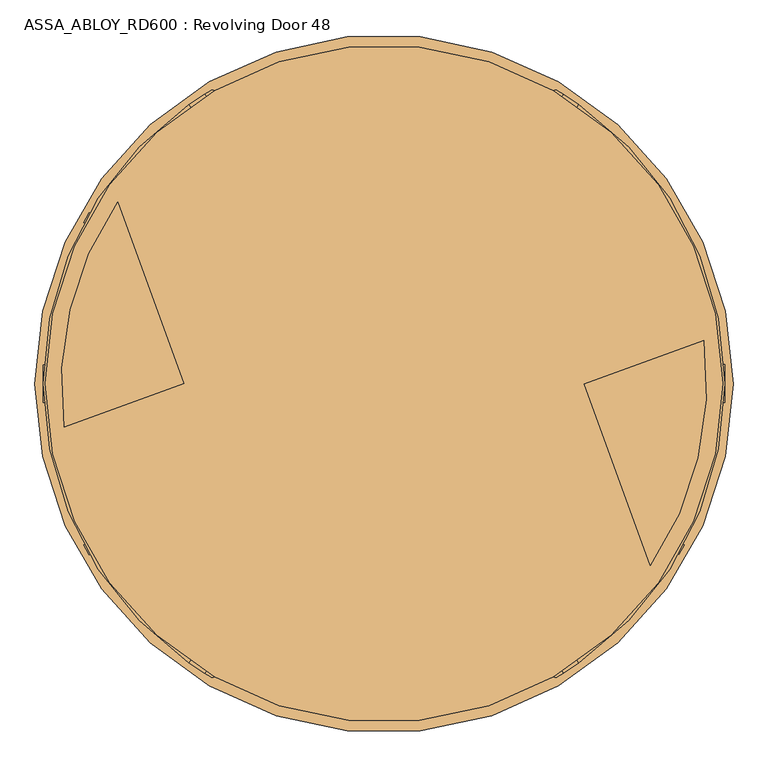
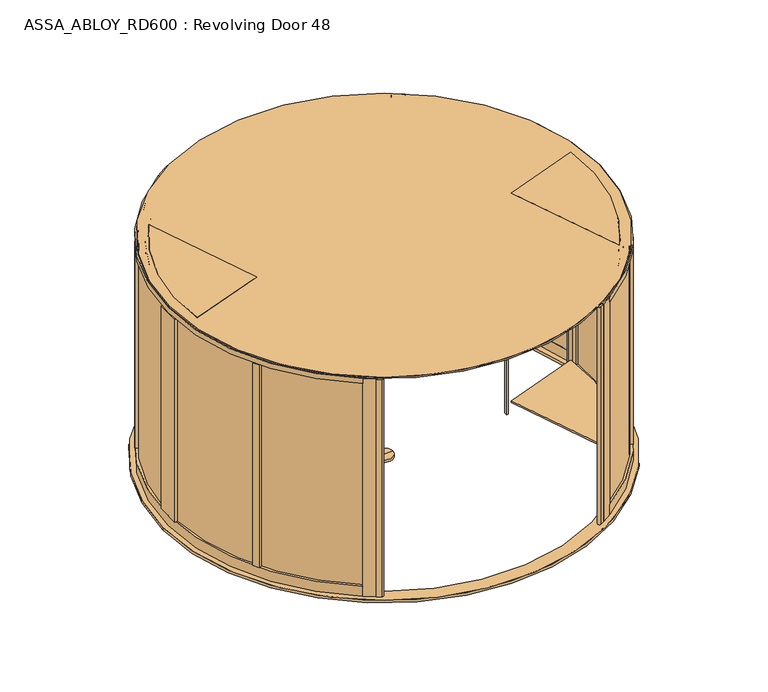
"""IFC4 building model written with IfcOpenShell, lengths in millimetres: door geometry, ASSA_ABLOY_RD600 : Revolving Door 48."""

from ifc_helpers import new_model, si_unit, point, frame, frame_2d, origin, origin_with_axes, origin_2d, place, context, project, spatial, polyline, circle_curve, trimmed, segment, composite_curve, outline, extrude, source, transform, mapped, element, save
from ifc_brep_helpers import plane_surface, cylinder_surface, advanced_brep


def assa_abloy_rd600_revolving_door_48_0ebd6415(model_context):
    return source(origin(), model_context, "Body", "SolidModel", [
        extrude(outline(polyline([(-1458.7343153, 67.1190524), (-1421.1466104, 80.7998581), (-1397.2052004, 15.0213746), (-1434.7929052, 1.3405689), (-1458.7343153, 67.1190524)])), frame((0.0, 0.0, 148.0), z_axis=(0.0, 0.0, 1.0), x_axis=(1.0, 0.0, 0.0)), (0.0, 0.0, 1.0), 2372.0),
        extrude(outline(polyline([(-1851.9918188, 1214.8326647), (-1437.121385, 74.9855157), (-1442.7595407, 72.9333948), (-1857.6299746, 1212.7805438), (-1851.9918188, 1214.8326647)])), frame((0.0, 0.0, 148.0), z_axis=(0.0, 0.0, 1.0), x_axis=(1.0, 0.0, 0.0)), (0.0, 0.0, 1.0), 2372.0),
        extrude(outline(polyline([(-1875.9332289, 1280.6111481), (-1413.1799749, 9.2070322), (-1418.8181307, 7.1549113), (-1881.5713846, 1278.5590273), (-1875.9332289, 1280.6111481)])), frame((0.0, 0.0, -1.0), z_axis=(0.0, 0.0, 1.0), x_axis=(1.0, 0.0, 0.0)), (0.0, 0.0, 1.0), 29.0),
        extrude(outline(polyline([(-21.1919362, -1e-07), (0.0, 0.0), (1.2354289, -3.3526834), (-14.8894584, -17.1035442), (-15.8652681, -14.4554103), (-11.2716326, -10.6269536), (-14.2348715, -2.5853725), (-20.2143359, -2.652993), (-21.1919362, -1e-07)]), holes=[polyline([(-11.7626281, -2.5849675), (-9.3848751, -9.0376682), (-1.6611384, -2.5160753), (-11.7626281, -2.5849675)])]), frame((-1861.3820138, 1167.5369034, 122.8848654), z_axis=(0.9396926207859982, 0.34202014332542185, 0.0), x_axis=(-0.11825756092403869, 0.3249099783188412, 0.9383222555567716)), (0.0, 0.0, 1.0), 2.0),
        extrude(outline(polyline([(-3.5121291, 0.0), (0.0, 0.0), (2.8187321, -2.6852579), (4.250422, -5.1162244), (5.5118808, -7.3434952), (7.3063201, -9.1972245), (9.3614355, -9.1814982), (11.0208469, -7.16163), (10.6514742, -3.4882218), (8.71119, 0.0484616), (6.0403681, 2.648411), (9.0699596, 3.7111349), (11.0920114, 1.0208016), (12.7977466, -2.5981572), (13.1300797, -8.3561656), (9.9996044, -11.7673439), (6.2388815, -11.6844271), (3.0893834, -8.4786224), (1.8238571, -6.2006453), (0.6628891, -4.2207408), (-0.9295188, -2.6144294), (-2.9863484, -2.6252693), (-4.8029446, -4.7524081), (-4.3562345, -8.76362), (-2.4447823, -12.1320668), (0.6567353, -15.0446472), (-2.5145629, -16.1570791), (-4.824798, -13.2083906), (-6.5093631, -9.6341389), (-7.2092232, -6.1919012), (-6.787432, -3.3659463), (-5.4926863, -1.2764387), (-3.5121291, 0.0)])), frame((-1853.2659475, 1145.2381943, 111.999973), z_axis=(0.9396926207859984, 0.34202014332542185, 0.0), x_axis=(-0.11321109633786393, 0.3110449308202373, 0.9436282629706535)), (0.0, 0.0, 1.0), 2.0),
        extrude(outline(polyline([(-3.5121291, 0.0), (0.0, 0.0), (2.818732, -2.6852578), (4.250422, -5.1162244), (5.5118807, -7.3434952), (7.3063201, -9.1972245), (9.3614355, -9.1814982), (11.0208469, -7.16163), (10.6514742, -3.4882217), (8.7111899, 0.0484617), (6.0403681, 2.6484111), (9.0699595, 3.711135), (11.0920113, 1.0208017), (12.7977466, -2.5981571), (13.1300796, -8.3561655), (9.9996043, -11.7673438), (6.2388815, -11.6844271), (3.0893834, -8.4786223), (1.8238571, -6.2006452), (0.6628891, -4.2207407), (-0.9295188, -2.6144293), (-2.9863484, -2.6252692), (-4.8029446, -4.7524081), (-4.3562345, -8.76362), (-2.4447823, -12.1320668), (0.6567352, -15.0446471), (-2.5145629, -16.157079), (-4.8247981, -13.2083905), (-6.5093631, -9.6341389), (-7.2092232, -6.1919011), (-6.787432, -3.3659463), (-5.4926863, -1.2764386), (-3.5121291, 0.0)])), frame((-1846.8049742, 1127.4868161, 111.999973), z_axis=(0.9396926207859984, 0.34202014332542185, 0.0), x_axis=(-0.11321109633786393, 0.3110449308202373, 0.9436282629706535)), (0.0, 0.0, 1.0), 2.0),
        extrude(outline(polyline([(-21.1919362, 1e-07), (0.0, 0.0), (1.2354289, -3.3526833), (-14.8894584, -17.1035441), (-15.8652682, -14.4554102), (-11.2716326, -10.6269535), (-14.2348715, -2.5853724), (-20.214336, -2.6529929), (-21.1919362, 1e-07)]), holes=[polyline([(-11.7626281, -2.5849674), (-9.3848751, -9.0376681), (-1.6611384, -2.5160752), (-11.7626281, -2.5849674)])]), frame((-1841.9990939, 1114.2827687, 122.8848654), z_axis=(0.9396926207859982, 0.34202014332542185, 0.0), x_axis=(-0.11825756092403869, 0.3249099783188412, 0.9383222555567716)), (0.0, 0.0, 1.0), 2.0),
        extrude(outline(polyline([(-21.1919362, 0.0), (0.0, 0.0), (1.2354289, -3.3526834), (-14.8894584, -17.1035442), (-15.8652682, -14.4554101), (-11.2716326, -10.6269535), (-14.2348715, -2.5853723), (-20.214336, -2.6529929), (-21.1919362, 0.0)]), holes=[polyline([(-11.7626281, -2.5849675), (-9.3848751, -9.0376682), (-1.6611384, -2.5160752), (-11.7626281, -2.5849675)])]), frame((-1832.2509588, 1087.4999874, 122.8848654), z_axis=(0.9396926207859982, 0.34202014332542185, 0.0), x_axis=(-0.11825756092403869, 0.3249099783188412, 0.9383222555567716)), (0.0, 0.0, 1.0), 2.0),
        extrude(outline(polyline([(-3.6247797, -1e-07), (0.0, 0.0), (2.8147562, -2.4211002), (3.7068839, -0.0321767), (5.7320771, 1.441087), (7.9241126, 1.6554025), (9.8352433, 0.5920774), (11.1479956, -1.1951535), (12.3716711, -4.2930708), (14.3144162, -9.9880648), (-4.5055294, -16.4081519), (-6.8194358, -9.6251298), (-7.5842828, -6.2202288), (-7.2049821, -3.4426963), (-5.9232413, -1.3859292), (-3.6247797, -1e-07)]), holes=[polyline([(5.2214253, -2.9241787), (4.7734732, -6.6552625), (5.9304264, -10.0467736), (11.2627443, -8.2277489), (10.1960736, -5.1008933), (9.3653605, -2.9303687), (5.2214253, -2.9241787)]), polyline([(-2.8765906, -2.5461079), (-4.3679308, -3.4351117), (-5.1102534, -4.8838351), (-5.1175974, -6.8751817), (-4.3362091, -9.7190964), (-3.1658807, -13.1498157), (3.7347661, -10.7957837), (2.347091, -6.7279308), (1.5099769, -4.5787397), (0.5832315, -3.1932876), (-0.9746905, -2.291247), (-2.8765906, -2.5461079)])]), frame((-1823.9108482, 1064.585722, 112.561824), z_axis=(0.9396926207859982, 0.34202014332542185, 0.0), x_axis=(-0.11042564634809944, 0.303391969870333, 0.9464457138403678)), (0.0, 0.0, 1.0), 2.0),
        extrude(outline(polyline([(-2.319901, 0.0), (0.0, 0.0), (0.0, -9.9424327), (17.5649644, -9.9424327), (17.5649644, -12.5937481), (-2.319901, -12.5937481), (-2.319901, 0.0)])), frame((-1817.9564096, 1048.2260362, 105.319901), z_axis=(0.9396926207859982, 0.34202014332542185, 0.0), x_axis=(0.0, 0.0, 1.0)), (0.0, 0.0, 1.0), 2.0),
        extrude(outline(polyline([(-3.4755122, 0.0), (0.0, 0.0), (3.5095377, -1.5864764), (6.1998494, -4.2905332), (7.4345587, -7.5668217), (7.0812777, -11.3109182), (5.1361656, -15.2239687), (2.1257687, -18.4422906), (-1.2097864, -20.0486711), (-4.7147757, -20.0502836), (-8.2007386, -18.4707048), (-10.9175762, -15.7640054), (-12.1283675, -12.4759471), (-11.7934802, -8.7947164), (-9.841779, -4.8358203), (-6.8343334, -1.6217536), (-3.4755122, 0.0)]), holes=[polyline([(-7.6631689, -6.3468237), (-9.5892894, -12.1951337), (-6.8871209, -16.5585187), (-1.8513938, -17.5618518), (2.9575554, -13.7129653), (4.8960978, -7.8921765), (2.1788995, -3.4868579), (-2.8864762, -2.4944711), (-7.6631689, -6.3468237)])]), frame((-1812.9787326, 1034.5499812, 122.5197917), z_axis=(0.9396926207859984, 0.3420201433254219, 0.0), x_axis=(-0.2810410816453021, 0.7721540257602016, 0.5699070721880477)), (0.0, 0.0, 1.0), 2.0),
        extrude(outline(polyline([(-3.1691505, 0.0), (0.0, 0.0), (5.4320896, -8.8964059), (10.921141, 0.0), (14.0643997, 0.0), (6.7732823, -11.4441543), (6.7732823, -19.8848654), (4.1219669, -19.8848654), (4.1219669, -11.1645234), (-3.1691505, 0.0)])), frame((-1805.778325, 1014.7670239, 122.8848654), z_axis=(0.9396926207859982, 0.34202014332542185, 0.0), x_axis=(-0.34202014332542185, 0.9396926207859982, 0.0)), (0.0, 0.0, 1.0), 2.0),
        extrude(outline(polyline([(21.1919362, 0.0), (20.214336, -2.6529929), (14.2348715, -2.5853725), (11.2716326, -10.6269535), (15.8652682, -14.4554102), (14.8894584, -17.1035442), (-1.2354289, -3.3526834), (0.0, 0.0), (21.1919362, 0.0)]), holes=[polyline([(11.7626281, -2.5849675), (1.6611384, -2.5160753), (9.3848751, -9.0376682), (11.7626281, -2.5849675)])]), frame((-1769.1821883, 1037.0197494, 122.8848654), z_axis=(0.9396926207859961, 0.342020143325428, 0.0), x_axis=(-0.11825756092404077, 0.32490997831884044, -0.9383222555567716)), (0.0, 0.0, 1.0), 2.0),
        extrude(outline(polyline([(3.5121291, 0.0), (5.4926863, -1.2764387), (6.787432, -3.3659463), (7.2092232, -6.1919012), (6.5093631, -9.6341389), (4.824798, -13.2083906), (2.5145629, -16.157079), (-0.6567352, -15.0446471), (2.4447823, -12.1320668), (4.3562345, -8.76362), (4.8029446, -4.7524081), (2.9863484, -2.6252692), (0.9295188, -2.6144293), (-0.6628891, -4.2207408), (-1.8238571, -6.2006453), (-3.0893834, -8.4786223), (-6.2388815, -11.6844271), (-9.9996043, -11.7673438), (-13.1300796, -8.3561655), (-12.7977466, -2.5981571), (-11.0920114, 1.0208016), (-9.0699595, 3.711135), (-6.0403681, 2.6484111), (-8.71119, 0.0484616), (-10.6514742, -3.4882218), (-11.0208469, -7.16163), (-9.3614355, -9.1814982), (-7.3063201, -9.1972245), (-5.5118807, -7.3434952), (-4.250422, -5.1162244), (-2.8187321, -2.6852579), (0.0, 0.0), (3.5121291, 0.0)])), frame((-1777.2982546, 1059.3184585, 111.999973), z_axis=(0.939692620785996, 0.34202014332542796, 0.0), x_axis=(-0.11321109633786593, 0.31104493082023654, -0.9436282629706535)), (0.0, 0.0, 1.0), 2.0),
        extrude(outline(polyline([(3.5121291, 0.0), (5.4926863, -1.2764387), (6.787432, -3.3659463), (7.2092232, -6.1919012), (6.5093631, -9.634139), (4.824798, -13.2083906), (2.5145629, -16.1570791), (-0.6567353, -15.0446472), (2.4447822, -12.1320669), (4.3562345, -8.76362), (4.8029446, -4.7524082), (2.9863484, -2.6252692), (0.9295188, -2.6144294), (-0.6628891, -4.2207408), (-1.8238571, -6.2006453), (-3.0893834, -8.4786224), (-6.2388816, -11.6844272), (-9.9996044, -11.7673439), (-13.1300797, -8.3561656), (-12.7977466, -2.5981572), (-11.0920114, 1.0208016), (-9.0699596, 3.7111349), (-6.0403681, 2.648411), (-8.71119, 0.0484616), (-10.6514742, -3.4882218), (-11.0208469, -7.1616301), (-9.3614355, -9.1814983), (-7.3063201, -9.1972246), (-5.5118808, -7.3434952), (-4.250422, -5.1162244), (-2.8187321, -2.6852579), (0.0, 0.0), (3.5121291, 0.0)])), frame((-1783.7592279, 1077.0698368, 111.999973), z_axis=(0.939692620785996, 0.34202014332542796, 0.0), x_axis=(-0.11321109633786593, 0.31104493082023654, -0.9436282629706535)), (0.0, 0.0, 1.0), 2.0),
        extrude(outline(polyline([(21.1919362, 0.0), (20.2143359, -2.652993), (14.2348715, -2.5853725), (11.2716326, -10.6269536), (15.8652681, -14.4554102), (14.8894584, -17.1035442), (-1.2354289, -3.3526834), (0.0, 0.0), (21.1919362, 0.0)]), holes=[polyline([(11.7626281, -2.5849675), (1.6611384, -2.5160753), (9.3848751, -9.0376682), (11.7626281, -2.5849675)])]), frame((-1788.5651082, 1090.2738842, 122.8848654), z_axis=(0.9396926207859961, 0.342020143325428, 0.0), x_axis=(-0.11825756092404077, 0.32490997831884044, -0.9383222555567716)), (0.0, 0.0, 1.0), 2.0),
        extrude(outline(polyline([(21.1919362, 0.0), (20.214336, -2.6529929), (14.2348715, -2.5853723), (11.2716326, -10.6269535), (15.8652682, -14.4554101), (14.8894584, -17.1035441), (-1.2354289, -3.3526834), (0.0, 0.0), (21.1919362, 0.0)]), holes=[polyline([(11.7626281, -2.5849674), (1.6611384, -2.5160752), (9.3848751, -9.0376682), (11.7626281, -2.5849674)])]), frame((-1798.3132433, 1117.0566654, 122.8848654), z_axis=(0.9396926207859961, 0.342020143325428, 0.0), x_axis=(-0.11825756092404077, 0.32490997831884044, -0.9383222555567716)), (0.0, 0.0, 1.0), 2.0),
        extrude(outline(polyline([(3.6247797, -1e-07), (5.9232413, -1.3859292), (7.2049821, -3.4426963), (7.5842828, -6.2202288), (6.8194358, -9.6251298), (4.5055294, -16.4081519), (-14.3144162, -9.9880648), (-12.3716711, -4.2930708), (-11.1479956, -1.1951534), (-9.8352433, 0.5920774), (-7.9241126, 1.6554025), (-5.7320771, 1.441087), (-3.7068839, -0.0321767), (-2.8147562, -2.4211002), (0.0, 0.0), (3.6247797, -1e-07)]), holes=[polyline([(-5.2214253, -2.9241787), (-9.3653605, -2.9303687), (-10.1960736, -5.1008933), (-11.2627443, -8.2277488), (-5.9304264, -10.0467735), (-4.7734732, -6.6552625), (-5.2214253, -2.9241787)]), polyline([(2.8765906, -2.5461079), (0.9746905, -2.291247), (-0.5832315, -3.1932876), (-1.5099769, -4.5787397), (-2.347091, -6.7279308), (-3.734766, -10.7957836), (3.1658807, -13.1498156), (4.3362091, -9.7190964), (5.1175974, -6.8751817), (5.1102534, -4.8838351), (4.3679308, -3.4351117), (2.8765906, -2.5461079)])]), frame((-1806.6533539, 1139.9709308, 112.561824), z_axis=(0.939692620785996, 0.3420201433254279, 0.0), x_axis=(-0.1104256463481014, 0.3033919698703323, -0.9464457138403678)), (0.0, 0.0, 1.0), 2.0),
        extrude(outline(polyline([(2.319901, 0.0), (2.319901, -12.5937481), (-17.5649644, -12.5937481), (-17.5649644, -9.9424327), (0.0, -9.9424327), (0.0, 0.0), (2.319901, 0.0)])), frame((-1812.6077925, 1156.3306166, 105.319901), z_axis=(0.939692620785996, 0.3420201433254279, 0.0), x_axis=(0.0, 0.0, -1.0)), (0.0, 0.0, 1.0), 2.0),
        extrude(outline(polyline([(3.4755123, 0.0), (6.8343334, -1.6217536), (9.841779, -4.8358203), (11.7934802, -8.7947164), (12.1283676, -12.475947), (10.9175762, -15.7640054), (8.2007386, -18.4707048), (4.7147757, -20.0502836), (1.2097864, -20.048671), (-2.1257687, -18.4422906), (-5.1361656, -15.2239687), (-7.0812776, -11.3109182), (-7.4345587, -7.5668217), (-6.1998494, -4.2905332), (-3.5095377, -1.5864764), (0.0, 0.0), (3.4755123, 0.0)]), holes=[polyline([(7.6631689, -6.3468237), (2.8864762, -2.4944711), (-2.1788995, -3.4868579), (-4.8960978, -7.8921765), (-2.9575554, -13.7129653), (1.8513938, -17.5618518), (6.8871209, -16.5585187), (9.5892894, -12.1951337), (7.6631689, -6.3468237)])]), frame((-1817.5854695, 1170.0066716, 122.5197917), z_axis=(0.9396926207859961, 0.3420201433254279, 0.0), x_axis=(-0.2810410816453074, 0.7721540257602008, -0.5699070721880464)), (0.0, 0.0, 1.0), 2.0),
        extrude(outline(polyline([(3.1691505, 0.0), (-4.1219669, -11.1645234), (-4.1219669, -19.8848654), (-6.7732823, -19.8848654), (-6.7732823, -11.4441543), (-14.0643996, 0.0), (-10.921141, 0.0), (-5.4320896, -8.8964059), (0.0, 0.0), (3.1691505, 0.0)])), frame((-1824.7858771, 1189.7896289, 122.8848654), z_axis=(0.939692620785996, 0.3420201433254279, 0.0), x_axis=(-0.3420201433254279, 0.939692620785996, 0.0)), (0.0, 0.0, 1.0), 2.0),
        extrude(outline(polyline([(16.3017206, 0.0), (78.5957564, 16.6009104), (88.5222618, -2.8076911), (20.0, -58.7981528), (20.0, 0.0), (16.3017206, 0.0)])), frame((-1415.9990528, 8.1809718, 28.0), z_axis=(-0.34202014332543407, 0.9396926207859938, 0.0), x_axis=(0.9396926207859938, 0.34202014332543407, 0.0)), (0.0, 0.0, 1.0), 1353.0),
        extrude(outline(composite_curve([segment(trimmed(circle_curve(origin_2d(), 2310.0), [point((2289.1557755, 309.6220851))], [point((1908.1760609, -1301.9078771))], False, "CARTESIAN"), True, "CONTINUOUS"), segment(polyline([(1908.1760609, -1301.9078771), (1434.8064754, -1.3356298), (2289.1557755, 309.6220851)]), True, "CONTINUOUS")], self_intersect=False)), frame((0.0, 0.0, 2600.0), z_axis=(0.0, 0.0, 1.0), x_axis=(1.0, 0.0, 0.0)), (0.0, 0.0, 1.0), 18.0),
        extrude(outline(composite_curve([segment(polyline([(-1908.1660392, 1301.9225656), (-1434.7929052, 1.3405689), (-2289.1557755, -309.6220851)]), True, "CONTINUOUS"), segment(trimmed(circle_curve(origin_2d(), 2310.0), [point((-2289.1557755, -309.6220851))], [point((-1908.1660392, 1301.9225656))], False, "CARTESIAN"), True, "CONTINUOUS")], self_intersect=False)), frame((0.0, 0.0, 2600.0), z_axis=(0.0, 0.0, 1.0), x_axis=(1.0, 0.0, 0.0)), (0.0, 0.0, 1.0), 18.0),
        extrude(outline(composite_curve([segment(polyline([(-1434.7929052, 1.3405689), (-2289.1557755, -309.6220851)]), True, "CONTINUOUS"), segment(trimmed(circle_curve(origin_2d(), 2310.0), [point((-2289.1557755, -309.6220851))], [point((-1908.1660392, 1301.9225656))], False, "CARTESIAN"), True, "CONTINUOUS"), segment(polyline([(-1908.1660392, 1301.9225656), (-1434.7929052, 1.3405689)]), True, "CONTINUOUS")], self_intersect=False)), frame((0.0, 0.0, 112.0), z_axis=(0.0, 0.0, 1.0), x_axis=(1.0, 0.0, 0.0)), (0.0, 0.0, 1.0), 22.0),
        extrude(outline(composite_curve([segment(polyline([(1434.8064754, -1.3356298), (2289.1557755, 309.6220851)]), True, "CONTINUOUS"), segment(trimmed(circle_curve(origin_2d(), 2310.0), [point((2289.1557755, 309.6220851))], [point((1908.1760609, -1301.9078771))], False, "CARTESIAN"), True, "CONTINUOUS"), segment(polyline([(1908.1760609, -1301.9078771), (1434.8064754, -1.3356298)]), True, "CONTINUOUS")], self_intersect=False)), frame((0.0, 0.0, 112.0), z_axis=(0.0, 0.0, 1.0), x_axis=(1.0, 0.0, 0.0)), (0.0, 0.0, 1.0), 22.0),
        extrude(outline(composite_curve([segment(polyline([(2260.824541, 474.1016716), (2300.7059306, 478.8029042)]), True, "CONTINUOUS"), segment(trimmed(circle_curve(origin_2d(), 2350.0), [point((2300.7059306, 478.8029042))], [point((1398.7616842, -1888.3764854))], False, "CARTESIAN"), True, "CONTINUOUS"), segment(polyline([(1398.7616842, -1888.3764854), (1375.3633059, -1855.9298954)]), True, "CONTINUOUS"), segment(trimmed(circle_curve(origin_2d(), 2310.0), [point((1375.3633059, -1855.9298954))], [point((2260.824541, 474.1016716))], True, "CARTESIAN"), True, "CONTINUOUS")], self_intersect=False)), frame((0.0, 0.0, 2520.0), z_axis=(0.0, 0.0, 1.0), x_axis=(1.0, 0.0, 0.0)), (0.0, 0.0, 1.0), 80.0),
        extrude(outline(composite_curve([segment(polyline([(-2298.434299, -230.8674364), (-2338.1820474, -235.3820576)]), True, "CONTINUOUS"), segment(trimmed(circle_curve(origin_2d(), 2350.0), [point((-2338.1820474, -235.3820576))], [point((-1398.9903449, 1888.20709))], False, "CARTESIAN"), True, "CONTINUOUS"), segment(polyline([(-1398.9903449, 1888.20709), (-1375.5896446, 1855.7621426)]), True, "CONTINUOUS"), segment(trimmed(circle_curve(origin_2d(), 2310.0), [point((-1375.5896446, 1855.7621426))], [point((-2298.434299, -230.8674364))], True, "CARTESIAN"), True, "CONTINUOUS")], self_intersect=False)), frame((0.0, 0.0, 2520.0), z_axis=(0.0, 0.0, 1.0), x_axis=(1.0, 0.0, 0.0)), (0.0, 0.0, 1.0), 80.0),
        extrude(outline(composite_curve([segment(polyline([(2298.4611786, 230.5996757), (2338.2094527, 235.1096664)]), True, "CONTINUOUS"), segment(trimmed(circle_curve(origin_2d(), 2350.0), [point((2338.2094527, 235.1096664))], [point((1398.7616842, -1888.3764854))], False, "CARTESIAN"), True, "CONTINUOUS"), segment(polyline([(1398.7616842, -1888.3764854), (1375.3633059, -1855.9298954)]), True, "CONTINUOUS"), segment(trimmed(circle_curve(origin_2d(), 2310.0), [point((1375.3633059, -1855.9298954))], [point((2298.4611786, 230.5996757))], True, "CARTESIAN"), True, "CONTINUOUS")], self_intersect=False)), origin_with_axes(), (0.0, 0.0, 1.0), 120.0),
        extrude(outline(composite_curve([segment(polyline([(-2298.434299, -230.8674364), (-2338.1820474, -235.3820576)]), True, "CONTINUOUS"), segment(trimmed(circle_curve(origin_2d(), 2350.0), [point((-2338.1820474, -235.3820576))], [point((-1398.9903449, 1888.20709))], False, "CARTESIAN"), True, "CONTINUOUS"), segment(polyline([(-1398.9903449, 1888.20709), (-1375.5896446, 1855.7621426)]), True, "CONTINUOUS"), segment(trimmed(circle_curve(origin_2d(), 2310.0), [point((-1375.5896446, 1855.7621426))], [point((-2298.434299, -230.8674364))], True, "CARTESIAN"), True, "CONTINUOUS")], self_intersect=False)), origin_with_axes(), (0.0, 0.0, 1.0), 120.0),
        extrude(outline(composite_curve([segment(trimmed(circle_curve(origin_2d(), 2336.0), [point((1390.5722594, -1877.0201894))], [point((1912.1709721, -1341.826432))], True, "CARTESIAN"), True, "CONTINUOUS"), segment(polyline([(1912.1709721, -1341.826432), (1920.4550029, -1347.4303625)]), True, "CONTINUOUS"), segment(trimmed(circle_curve(origin_2d(), 2346.0), [point((1920.4550029, -1347.4303625))], [point((1396.4218494, -1885.1318306))], False, "CARTESIAN"), True, "CONTINUOUS"), segment(polyline([(1396.4218494, -1885.1318306), (1390.5722594, -1877.0201894)]), True, "CONTINUOUS")], self_intersect=False)), frame((0.0, 0.0, 120.0), z_axis=(0.0, 0.0, 1.0), x_axis=(1.0, 0.0, 0.0)), (0.0, 0.0, 1.0), 2400.0),
        extrude(outline(polyline([(-2331.6009507, -295.0203493), (-2291.6486357, -290.482493), (-2282.4987436, -338.7059288), (-2298.9727554, -397.2349252), (-2319.9912342, -397.2349252), (-2331.6009507, -295.0203493)])), origin_with_axes(), (0.0, 0.0, 1.0), 2600.0),
        extrude(outline(polyline([(2331.6353037, 294.7487244), (2291.6824603, 290.2155224), (2282.5300533, 338.5117012), (2299.0194923, 396.9629043), (2320.0376931, 396.9629043), (2331.6353037, 294.7487244)])), origin_with_axes(), (0.0, 0.0, 1.0), 2600.0),
        extrude(outline(polyline([(-1848.128211, 1290.731347), (-1885.7162972, 1277.0504025), (-1899.4633194, 1314.8200357), (-1871.7868394, 1355.7328942), (-1848.128211, 1290.731347)])), origin_with_axes(), (0.0, 0.0, 1.0), 2600.0),
        extrude(outline(polyline([(-1376.0, 22.7394364), (-1376.0, -19.8276745), (-1378.7977529, -20.8459733), (-1392.4785586, 16.7417316), (-1376.0, 22.7394364)])), origin_with_axes(), (0.0, 0.0, 1.0), 2600.0),
        extrude(outline(polyline([(1376.0, -22.7394364), (1376.0, 19.8276745), (1378.7977529, 20.8459733), (1392.4785586, -16.7417316), (1376.0, -22.7394364)])), origin_with_axes(), (0.0, 0.0, 1.0), 2600.0),
        extrude(outline(polyline([(-2291.8564974, -290.5061023), (-2331.6009507, -295.0203493), (-2338.3723212, -235.4036692), (-2298.6278678, -230.8894223), (-2291.8564974, -290.5061023)])), origin_with_axes(), (0.0, 0.0, 1.0), 2600.0),
        extrude(outline(composite_curve([segment(trimmed(circle_curve(origin_2d(), 2336.0), [point((1956.995871, -1275.5638601))], [point((2260.2766738, -589.9536913))], True, "CARTESIAN"), True, "CONTINUOUS"), segment(polyline([(2260.2766738, -589.9536913), (2269.9957606, -592.31347)]), True, "CONTINUOUS"), segment(trimmed(circle_curve(origin_2d(), 2346.0), [point((2269.9957606, -592.31347))], [point((1965.2799018, -1281.1677905))], False, "CARTESIAN"), True, "CONTINUOUS"), segment(polyline([(1965.2799018, -1281.1677905), (1956.995871, -1275.5638601)]), True, "CONTINUOUS")], self_intersect=False)), frame((0.0, 0.0, 120.0), z_axis=(0.0, 0.0, 1.0), x_axis=(1.0, 0.0, 0.0)), (0.0, 0.0, 1.0), 2400.0),
        extrude(outline(composite_curve([segment(polyline([(-1965.2799018, 1281.1677905), (-1956.995871, 1275.5638601)]), True, "CONTINUOUS"), segment(trimmed(circle_curve(origin_2d(), 2336.0), [point((-1956.995871, 1275.5638601))], [point((-2260.2766738, 589.9536913))], True, "CARTESIAN"), True, "CONTINUOUS"), segment(polyline([(-2260.2766738, 589.9536913), (-2269.9957606, 592.31347)]), True, "CONTINUOUS"), segment(trimmed(circle_curve(origin_2d(), 2346.0), [point((-2269.9957606, 592.31347))], [point((-1965.2799018, 1281.1677905))], False, "CARTESIAN"), True, "CONTINUOUS")], self_intersect=False)), frame((0.0, 0.0, 120.0), z_axis=(0.0, 0.0, 1.0), x_axis=(1.0, 0.0, 0.0)), (0.0, 0.0, 1.0), 2400.0),
        extrude(outline(composite_curve([segment(trimmed(circle_curve(origin_2d(), 2336.0), [point((-1391.0873837, 1876.6384551))], [point((-1912.1709721, 1341.826432))], True, "CARTESIAN"), True, "CONTINUOUS"), segment(polyline([(-1912.1709721, 1341.826432), (-1920.4550029, 1347.4303625)]), True, "CONTINUOUS"), segment(trimmed(circle_curve(origin_2d(), 2346.0), [point((-1920.4550029, 1347.4303625))], [point((-1396.6502779, 1884.9625994))], False, "CARTESIAN"), True, "CONTINUOUS"), segment(polyline([(-1396.6502779, 1884.9625994), (-1391.0873837, 1876.6384551)]), True, "CONTINUOUS")], self_intersect=False)), frame((0.0, 0.0, 120.0), z_axis=(0.0, 0.0, 1.0), x_axis=(1.0, 0.0, 0.0)), (0.0, 0.0, 1.0), 2400.0),
        extrude(outline(composite_curve([segment(trimmed(circle_curve(origin_2d(), 2336.0), [point((2279.1521474, -512.2123478))], [point((2324.2975696, 233.5311711))], True, "CARTESIAN"), True, "CONTINUOUS"), segment(polyline([(2324.2975696, 233.5311711), (2334.2346304, 234.6586679)]), True, "CONTINUOUS"), segment(trimmed(circle_curve(origin_2d(), 2346.0), [point((2334.2346304, 234.6586679))], [point((2288.8712342, -514.5721265))], False, "CARTESIAN"), True, "CONTINUOUS"), segment(polyline([(2288.8712342, -514.5721265), (2279.1521474, -512.2123478)]), True, "CONTINUOUS")], self_intersect=False)), frame((0.0, 0.0, 120.0), z_axis=(0.0, 0.0, 1.0), x_axis=(1.0, 0.0, 0.0)), (0.0, 0.0, 1.0), 2400.0),
        extrude(outline(polyline([(1848.128211, -1290.731347), (1885.7162972, -1277.0504025), (1899.4633194, -1314.8200357), (1871.7868394, -1355.7328942), (1848.128211, -1290.731347)])), origin_with_axes(), (0.0, 0.0, 1.0), 2600.0),
        extrude(outline(composite_curve([segment(trimmed(circle_curve(origin_2d(), 2336.0), [point((-2279.1521474, 512.2123478))], [point((-2324.2703483, -233.8019416))], True, "CARTESIAN"), True, "CONTINUOUS"), segment(polyline([(-2324.2703483, -233.8019416), (-2334.2072777, -234.930596)]), True, "CONTINUOUS"), segment(trimmed(circle_curve(origin_2d(), 2346.0), [point((-2334.2072777, -234.930596))], [point((-2288.8712342, 514.5721265))], False, "CARTESIAN"), True, "CONTINUOUS"), segment(polyline([(-2288.8712342, 514.5721265), (-2279.1521474, 512.2123478)]), True, "CONTINUOUS")], self_intersect=False)), frame((0.0, 0.0, 120.0), z_axis=(0.0, 0.0, 1.0), x_axis=(1.0, 0.0, 0.0)), (0.0, 0.0, 1.0), 2400.0),
        extrude(outline(polyline([(-1890.9193153, 1327.4502413), (-1935.7442141, 1261.1876694), (-1968.8755001, 1283.6001188), (-1924.0506012, 1349.8626908), (-1890.9193153, 1327.4502413)])), origin_with_axes(), (0.0, 0.0, 1.0), 2600.0),
        extrude(outline(polyline([(1890.9193153, -1327.4502413), (1935.7442141, -1261.1876694), (1968.8755001, -1283.6001188), (1924.0506012, -1349.8626908), (1890.9193153, -1327.4502413)])), origin_with_axes(), (0.0, 0.0, 1.0), 2600.0),
        extrude(outline(polyline([(2254.2190319, -506.1586273), (2293.0897037, -515.5963641), (2274.2142302, -593.3377077), (2235.3435584, -583.8999709), (2254.2190319, -506.1586273)])), origin_with_axes(), (0.0, 0.0, 1.0), 2600.0),
        extrude(outline(polyline([(1350.2078427, -1923.6264662), (1326.8114041, -1891.182566), (1375.4772544, -1856.0879081), (1398.873693, -1888.5318083), (1350.2078427, -1923.6264662)])), origin_with_axes(), (0.0, 0.0, 1.0), 2600.0),
        extrude(outline(polyline([(-2254.2190319, 506.1586273), (-2293.0897037, 515.5963641), (-2274.2142302, 593.3377077), (-2235.3435584, 583.8999709), (-2254.2190319, 506.1586273)])), origin_with_axes(), (0.0, 0.0, 1.0), 2600.0),
        extrude(outline(polyline([(-1375.7044986, 1855.9213871), (-1399.1032439, 1888.3636238), (-1350.4398888, 1923.4617417), (-1327.0411436, 1891.019505), (-1375.7044986, 1855.9213871)])), origin_with_axes(), (0.0, 0.0, 1.0), 2600.0),
        extrude(outline(polyline([(2291.8903247, 290.2391075), (2331.6353037, 294.7487244), (2338.399729, 235.1312559), (2298.65475, 230.621639), (2291.8903247, 290.2391075)])), origin_with_axes(), (0.0, 0.0, 1.0), 2600.0),
        extrude(outline(composite_curve([segment(trimmed(circle_curve(origin_2d(), 2500.0), [point((-2500.0, 0.0))], [point((2500.0, 0.0))], False, "CARTESIAN"), True, "CONTINUOUS"), segment(trimmed(circle_curve(origin_2d(), 2500.0), [point((2500.0, 0.0))], [point((-2500.0, 0.0))], False, "CARTESIAN"), True, "CONTINUOUS")], self_intersect=False), holes=[composite_curve([segment(trimmed(circle_curve(origin_2d(), 2340.0), [point((2340.0, 0.0))], [point((-2340.0, 0.0))], True, "CARTESIAN"), True, "CONTINUOUS"), segment(trimmed(circle_curve(origin_2d(), 2340.0), [point((-2340.0, 0.0))], [point((2340.0, 0.0))], True, "CARTESIAN"), True, "CONTINUOUS")], self_intersect=False)]), frame((0.0, 0.0, -30.0), z_axis=(0.0, 0.0, 1.0), x_axis=(1.0, 0.0, 0.0)), (0.0, 0.0, 1.0), 30.0),
        advanced_brep(
        [(100.0, 0.0, 0.0), (-100.0, 0.0, 0.0), (0.0, 0.0, 0.0), (100.0, 0.0, -30.0), (-100.0, 0.0, -30.0), (0.0, 0.0, -30.0)],
        [
            (0, 1, circle_curve(frame((0.0, 0.0, 0.0), z_axis=(0.0, 0.0, 1.0), x_axis=(-1.0, 0.0, 0.0)), 100.0)),
            (1, 2),
            (2, 0),
            (1, 0, circle_curve(frame((0.0, 0.0, 0.0), z_axis=(0.0, 0.0, 1.0), x_axis=(-1.0, 0.0, 0.0)), 100.0)),
            (3, 4, circle_curve(frame((0.0, 0.0, -30.0), z_axis=(0.0, 0.0, 1.0), x_axis=(-1.0, 0.0, 0.0)), 100.0)),
            (4, 1),
            (0, 3),
            (4, 3, circle_curve(frame((0.0, 0.0, -30.0), z_axis=(0.0, 0.0, 1.0), x_axis=(-1.0, 0.0, 0.0)), 100.0)),
            (5, 4),
            (3, 5),
        ],
        [
            plane_surface(frame((0.0, 0.0, 0.0), z_axis=(0.0, 0.0, 1.0), x_axis=(-1.0, 0.0, 0.0))),
            cylinder_surface(frame((0.0, 0.0, 2174.3150031), z_axis=(0.0, 0.0, -1.0), x_axis=(-1.0, 0.0, 0.0)), 100.0),
            plane_surface(frame((0.0, 0.0, -30.0), z_axis=(0.0, 0.0, -1.0), x_axis=(-1.0, 0.0, 0.0))),
        ],
        [
            (0, [[1, 2, 3]]),
            (0, [[4, -3, -2]]),
            (1, [[5, 6, -1, 7]]),
            (1, [[8, -7, -4, -6]]),
            (2, [[9, -5, 10]]),
            (2, [[-10, -8, -9]]),
        ],
    ),
        extrude(outline(composite_curve([segment(trimmed(circle_curve(origin_2d(), 2400.0), [point((-1262.2009504, -2041.2860556))], [point((-1219.4002127, -2067.1388732))], True, "CARTESIAN"), True, "CONTINUOUS"), segment(trimmed(circle_curve(frame_2d((-1230.2695278, -2083.9375915)), 20.0084719), [point((-1219.4002127, -2067.1388732))], [point((-1240.4413871, -2101.1675719))], False, "CARTESIAN"), True, "CONTINUOUS"), segment(trimmed(circle_curve(origin_2d(), 2440.0), [point((-1240.4413871, -2101.1675719))], [point((-1283.2376329, -2075.3074899))], False, "CARTESIAN"), True, "CONTINUOUS"), segment(polyline([(-1283.2376329, -2075.3074899), (-1262.2009504, -2041.2860556)]), True, "CONTINUOUS")], self_intersect=False)), origin_with_axes(), (0.0, 0.0, 1.0), 2600.0),
        extrude(outline(composite_curve([segment(trimmed(circle_curve(origin_2d(), 2400.0), [point((1262.2009504, 2041.2860556))], [point((1219.4002127, 2067.1388732))], True, "CARTESIAN"), True, "CONTINUOUS"), segment(trimmed(circle_curve(frame_2d((1230.2695278, 2083.9375915)), 20.0084719), [point((1219.4002127, 2067.1388732))], [point((1240.4413871, 2101.1675719))], False, "CARTESIAN"), True, "CONTINUOUS"), segment(trimmed(circle_curve(origin_2d(), 2440.0), [point((1240.4413871, 2101.1675719))], [point((1283.2376329, 2075.3074899))], False, "CARTESIAN"), True, "CONTINUOUS"), segment(polyline([(1283.2376329, 2075.3074899), (1262.2009504, 2041.2860556)]), True, "CONTINUOUS")], self_intersect=False)), origin_with_axes(), (0.0, 0.0, 1.0), 2600.0),
        extrude(outline(composite_curve([segment(polyline([(-1262.2009504, 2041.2860556), (-1283.2376329, 2075.3074899)]), True, "CONTINUOUS"), segment(trimmed(circle_curve(origin_2d(), 2440.0), [point((-1283.2376329, 2075.3074899))], [point((-1240.4413871, 2101.1675719))], False, "CARTESIAN"), True, "CONTINUOUS"), segment(trimmed(circle_curve(frame_2d((-1230.2695278, 2083.9375915)), 20.0084719), [point((-1240.4413871, 2101.1675719))], [point((-1219.4002127, 2067.1388732))], False, "CARTESIAN"), True, "CONTINUOUS"), segment(trimmed(circle_curve(origin_2d(), 2400.0), [point((-1219.4002127, 2067.1388732))], [point((-1262.2009504, 2041.2860556))], True, "CARTESIAN"), True, "CONTINUOUS")], self_intersect=False)), origin_with_axes(), (0.0, 0.0, 1.0), 2600.0),
        extrude(outline(composite_curve([segment(polyline([(1262.2009504, -2041.2860556), (1283.2376329, -2075.3074899)]), True, "CONTINUOUS"), segment(trimmed(circle_curve(origin_2d(), 2440.0), [point((1283.2376329, -2075.3074899))], [point((1240.4413871, -2101.1675719))], False, "CARTESIAN"), True, "CONTINUOUS"), segment(trimmed(circle_curve(frame_2d((1230.2695278, -2083.9375915)), 20.0084719), [point((1240.4413871, -2101.1675719))], [point((1219.4002127, -2067.1388732))], False, "CARTESIAN"), True, "CONTINUOUS"), segment(trimmed(circle_curve(origin_2d(), 2400.0), [point((1219.4002127, -2067.1388732))], [point((1262.2009504, -2041.2860556))], True, "CARTESIAN"), True, "CONTINUOUS")], self_intersect=False)), origin_with_axes(), (0.0, 0.0, 1.0), 2600.0),
        extrude(outline(composite_curve([segment(trimmed(circle_curve(origin_2d(), 2426.0), [point((-2426.0, 0.0))], [point((2426.0, 0.0))], False, "CARTESIAN"), True, "CONTINUOUS"), segment(trimmed(circle_curve(origin_2d(), 2426.0), [point((2426.0, 0.0))], [point((-2426.0, 0.0))], False, "CARTESIAN"), True, "CONTINUOUS")], self_intersect=False)), frame((0.0, 0.0, 2600.0), z_axis=(0.0, 0.0, 1.0), x_axis=(1.0, 0.0, 0.0)), (0.0, 0.0, 1.0), 16.0),
        extrude(outline(composite_curve([segment(polyline([(-1396.759899, 2000.45876), (-1375.6925686, 1966.3818301)]), True, "CONTINUOUS"), segment(trimmed(circle_curve(frame_2d((0.0, -0.2065754)), 2400.0), [point((-1375.6925686, 1966.3818301))], [point((-1375.6925686, -1966.7949809))], True, "CARTESIAN"), True, "CONTINUOUS"), segment(polyline([(-1375.6925686, -1966.7949809), (-1396.759899, -2000.8719109)]), True, "CONTINUOUS"), segment(trimmed(circle_curve(frame_2d((0.0, -0.2065754)), 2440.0), [point((-1396.759899, -2000.8719109))], [point((-1396.759899, 2000.45876))], False, "CARTESIAN"), True, "CONTINUOUS")], self_intersect=False)), frame((0.0, 0.0, 2543.0), z_axis=(0.0, 0.0, 1.0), x_axis=(1.0, 0.0, 0.0)), (0.0, 0.0, 1.0), 60.0),
        extrude(outline(composite_curve([segment(polyline([(-1396.759899, -2000.8719109), (-1375.6925686, -1966.7949809)]), True, "CONTINUOUS"), segment(trimmed(circle_curve(frame_2d((0.0, -0.2065754)), 2400.0), [point((-1375.6925686, -1966.7949809))], [point((-1262.0420321, -2041.5908874))], True, "CARTESIAN"), True, "CONTINUOUS"), segment(polyline([(-1262.0420321, -2041.5908874), (-1283.0760659, -2075.6139593)]), True, "CONTINUOUS"), segment(trimmed(circle_curve(frame_2d((0.0, -0.2065754)), 2440.0), [point((-1283.0760659, -2075.6139593))], [point((-1396.759899, -2000.8719109))], False, "CARTESIAN"), True, "CONTINUOUS")], self_intersect=False)), frame((0.0, 0.0, 3.0), z_axis=(0.0, 0.0, 1.0), x_axis=(1.0, 0.0, 0.0)), (0.0, 0.0, 1.0), 2600.0),
        extrude(outline(composite_curve([segment(polyline([(-1283.0760659, 2075.2008085), (-1262.0420321, 2041.1777366)]), True, "CONTINUOUS"), segment(trimmed(circle_curve(frame_2d((0.0, -0.2065754)), 2400.0), [point((-1262.0420321, 2041.1777366))], [point((-1375.6925686, 1966.3818301))], True, "CARTESIAN"), True, "CONTINUOUS"), segment(polyline([(-1375.6925686, 1966.3818301), (-1396.759899, 2000.45876)]), True, "CONTINUOUS"), segment(trimmed(circle_curve(frame_2d((0.0, -0.2065754)), 2440.0), [point((-1396.759899, 2000.45876))], [point((-1283.0760659, 2075.2008085))], False, "CARTESIAN"), True, "CONTINUOUS")], self_intersect=False)), frame((0.0, 0.0, 3.0), z_axis=(0.0, 0.0, 1.0), x_axis=(1.0, 0.0, 0.0)), (0.0, 0.0, 1.0), 2600.0),
        extrude(outline(composite_curve([segment(polyline([(-2409.164378, -136.2065754), (-2401.1515987, -136.2065754)]), True, "CONTINUOUS"), segment(trimmed(circle_curve(frame_2d((0.0, -0.2065754)), 2405.0), [point((-2401.1515987, -136.2065754))], [point((-1378.3260456, -1971.0546954))], True, "CARTESIAN"), True, "CONTINUOUS"), segment(polyline([(-1378.3260456, -1971.0546954), (-1382.5395723, -1977.8701795)]), True, "CONTINUOUS"), segment(trimmed(circle_curve(frame_2d((0.0, -0.2065754)), 2413.0), [point((-1382.5395723, -1977.8701795))], [point((-2409.164378, -136.2065754))], False, "CARTESIAN"), True, "CONTINUOUS")], self_intersect=False)), frame((0.0, 0.0, 123.0), z_axis=(0.0, 0.0, 1.0), x_axis=(1.0, 0.0, 0.0)), (0.0, 0.0, 1.0), 2420.0),
        extrude(outline(composite_curve([segment(polyline([(-1382.5395723, 1977.4570287), (-1378.3260456, 1970.6415446)]), True, "CONTINUOUS"), segment(trimmed(circle_curve(frame_2d((0.0, -0.2065754)), 2405.0), [point((-1378.3260456, 1970.6415446))], [point((-2401.1515987, 135.7934246))], True, "CARTESIAN"), True, "CONTINUOUS"), segment(polyline([(-2401.1515987, 135.7934246), (-2409.164378, 135.7934246)]), True, "CONTINUOUS"), segment(trimmed(circle_curve(frame_2d((0.0, -0.2065754)), 2413.0), [point((-2409.164378, 135.7934246))], [point((-1382.5395723, 1977.4570287))], False, "CARTESIAN"), True, "CONTINUOUS")], self_intersect=False)), frame((0.0, 0.0, 123.0), z_axis=(0.0, 0.0, 1.0), x_axis=(1.0, 0.0, 0.0)), (0.0, 0.0, 1.0), 2420.0),
        extrude(outline(polyline([(-2440.0, -136.2065754), (-2440.0, 135.7934246), (-2400.0, 135.7934246), (-2400.0, -136.2065754), (-2440.0, -136.2065754)])), frame((0.0, 0.0, 123.0), z_axis=(0.0, 0.0, 1.0), x_axis=(1.0, 0.0, 0.0)), (0.0, 0.0, 1.0), 2420.0),
        extrude(outline(composite_curve([segment(polyline([(-1396.759899, 2000.45876), (-1375.6925686, 1966.3818301)]), True, "CONTINUOUS"), segment(trimmed(circle_curve(frame_2d((0.0, -0.2065754)), 2400.0), [point((-1375.6925686, 1966.3818301))], [point((-1375.6925686, -1966.7949809))], True, "CARTESIAN"), True, "CONTINUOUS"), segment(polyline([(-1375.6925686, -1966.7949809), (-1396.759899, -2000.8719109)]), True, "CONTINUOUS"), segment(trimmed(circle_curve(frame_2d((0.0, -0.2065754)), 2440.0), [point((-1396.759899, -2000.8719109))], [point((-1396.759899, 2000.45876))], False, "CARTESIAN"), True, "CONTINUOUS")], self_intersect=False)), frame((0.0, 0.0, 3.0), z_axis=(0.0, 0.0, 1.0), x_axis=(1.0, 0.0, 0.0)), (0.0, 0.0, 1.0), 120.0),
        extrude(outline(composite_curve([segment(trimmed(circle_curve(frame_2d((0.0, -0.2065754)), 2440.0), [point((-2110.3611144, -1224.9416353))], [point((-2149.3766683, -1155.100483))], False, "CARTESIAN"), True, "CONTINUOUS"), segment(polyline([(-2149.3766683, -1155.100483), (-2114.4513206, -1135.5900405)]), True, "CONTINUOUS"), segment(trimmed(circle_curve(frame_2d((0.0, -0.2065754)), 2400.0), [point((-2114.4513206, -1135.5900405))], [point((-2075.4357667, -1205.4311928))], True, "CARTESIAN"), True, "CONTINUOUS"), segment(polyline([(-2075.4357667, -1205.4311928), (-2110.3611144, -1224.9416353)]), True, "CONTINUOUS")], self_intersect=False)), frame((0.0, 0.0, 123.0), z_axis=(0.0, 0.0, 1.0), x_axis=(1.0, 0.0, 0.0)), (0.0, 0.0, 1.0), 2420.0),
        extrude(outline(composite_curve([segment(polyline([(-2110.4736791, 1224.5913669), (-2075.5469245, 1205.0801384)]), True, "CONTINUOUS"), segment(trimmed(circle_curve(frame_2d((-0.1149851, -0.1510696)), 2400.0), [point((-2075.5469245, 1205.0801384))], [point((-2114.5627002, 1135.23911))], True, "CARTESIAN"), True, "CONTINUOUS"), segment(polyline([(-2114.5627002, 1135.23911), (-2149.4892331, 1154.7502146)]), True, "CONTINUOUS"), segment(trimmed(circle_curve(frame_2d((-0.1125648, -0.143693)), 2440.0), [point((-2149.4892331, 1154.7502146))], [point((-2110.4736791, 1224.5913669))], False, "CARTESIAN"), True, "CONTINUOUS")], self_intersect=False)), frame((0.0, 0.0, 123.0), z_axis=(0.0, 0.0, 1.0), x_axis=(1.0, 0.0, 0.0)), (0.0, 0.0, 1.0), 2420.0),
        extrude(outline(composite_curve([segment(trimmed(circle_curve(origin_2d(), 2440.0), [point((1396.759899, 2000.6653355))], [point((1396.759899, -2000.6653355))], False, "CARTESIAN"), True, "CONTINUOUS"), segment(polyline([(1396.759899, -2000.6653355), (1375.6925686, -1966.5884055)]), True, "CONTINUOUS"), segment(trimmed(circle_curve(origin_2d(), 2400.0), [point((1375.6925686, -1966.5884055))], [point((1375.6925686, 1966.5884055))], True, "CARTESIAN"), True, "CONTINUOUS"), segment(polyline([(1375.6925686, 1966.5884055), (1396.759899, 2000.6653355)]), True, "CONTINUOUS")], self_intersect=False)), frame((0.0, 0.0, 2540.0), z_axis=(0.0, 0.0, 1.0), x_axis=(1.0, 0.0, 0.0)), (0.0, 0.0, 1.0), 60.0),
        extrude(outline(composite_curve([segment(trimmed(circle_curve(origin_2d(), 2440.0), [point((1396.759899, -2000.6653355))], [point((1283.0760659, -2075.4073839))], False, "CARTESIAN"), True, "CONTINUOUS"), segment(polyline([(1283.0760659, -2075.4073839), (1262.0420321, -2041.384312)]), True, "CONTINUOUS"), segment(trimmed(circle_curve(origin_2d(), 2400.0), [point((1262.0420321, -2041.384312))], [point((1375.6925686, -1966.5884055))], True, "CARTESIAN"), True, "CONTINUOUS"), segment(polyline([(1375.6925686, -1966.5884055), (1396.759899, -2000.6653355)]), True, "CONTINUOUS")], self_intersect=False)), origin_with_axes(), (0.0, 0.0, 1.0), 2600.0),
        extrude(outline(composite_curve([segment(trimmed(circle_curve(origin_2d(), 2440.0), [point((1283.0760659, 2075.4073839))], [point((1396.759899, 2000.6653355))], False, "CARTESIAN"), True, "CONTINUOUS"), segment(polyline([(1396.759899, 2000.6653355), (1375.6925686, 1966.5884055)]), True, "CONTINUOUS"), segment(trimmed(circle_curve(origin_2d(), 2400.0), [point((1375.6925686, 1966.5884055))], [point((1262.0420321, 2041.384312))], True, "CARTESIAN"), True, "CONTINUOUS"), segment(polyline([(1262.0420321, 2041.384312), (1283.0760659, 2075.4073839)]), True, "CONTINUOUS")], self_intersect=False)), origin_with_axes(), (0.0, 0.0, 1.0), 2600.0),
        extrude(outline(composite_curve([segment(trimmed(circle_curve(origin_2d(), 2413.0), [point((2409.164378, -136.0))], [point((1382.5395723, -1977.6636041))], False, "CARTESIAN"), True, "CONTINUOUS"), segment(polyline([(1382.5395723, -1977.6636041), (1378.3260456, -1970.84812)]), True, "CONTINUOUS"), segment(trimmed(circle_curve(origin_2d(), 2405.0), [point((1378.3260456, -1970.84812))], [point((2401.1515987, -136.0))], True, "CARTESIAN"), True, "CONTINUOUS"), segment(polyline([(2401.1515987, -136.0), (2409.164378, -136.0)]), True, "CONTINUOUS")], self_intersect=False)), frame((0.0, 0.0, 120.0), z_axis=(0.0, 0.0, 1.0), x_axis=(1.0, 0.0, 0.0)), (0.0, 0.0, 1.0), 2420.0),
        extrude(outline(composite_curve([segment(trimmed(circle_curve(origin_2d(), 2413.0), [point((1382.5395723, 1977.6636041))], [point((2409.164378, 136.0))], False, "CARTESIAN"), True, "CONTINUOUS"), segment(polyline([(2409.164378, 136.0), (2401.1515987, 136.0)]), True, "CONTINUOUS"), segment(trimmed(circle_curve(origin_2d(), 2405.0), [point((2401.1515987, 136.0))], [point((1378.3260456, 1970.84812))], True, "CARTESIAN"), True, "CONTINUOUS"), segment(polyline([(1378.3260456, 1970.84812), (1382.5395723, 1977.6636041)]), True, "CONTINUOUS")], self_intersect=False)), frame((0.0, 0.0, 120.0), z_axis=(0.0, 0.0, 1.0), x_axis=(1.0, 0.0, 0.0)), (0.0, 0.0, 1.0), 2420.0),
        extrude(outline(polyline([(2440.0, -136.0), (2400.0, -136.0), (2400.0, 136.0), (2440.0, 136.0), (2440.0, -136.0)])), frame((0.0, 0.0, 120.0), z_axis=(0.0, 0.0, 1.0), x_axis=(1.0, 0.0, 0.0)), (0.0, 0.0, 1.0), 2420.0),
        extrude(outline(composite_curve([segment(trimmed(circle_curve(origin_2d(), 2440.0), [point((1396.759899, 2000.6653355))], [point((1396.759899, -2000.6653355))], False, "CARTESIAN"), True, "CONTINUOUS"), segment(polyline([(1396.759899, -2000.6653355), (1375.6925686, -1966.5884055)]), True, "CONTINUOUS"), segment(trimmed(circle_curve(origin_2d(), 2400.0), [point((1375.6925686, -1966.5884055))], [point((1375.6925686, 1966.5884055))], True, "CARTESIAN"), True, "CONTINUOUS"), segment(polyline([(1375.6925686, 1966.5884055), (1396.759899, 2000.6653355)]), True, "CONTINUOUS")], self_intersect=False)), origin_with_axes(), (0.0, 0.0, 1.0), 120.0),
        extrude(outline(composite_curve([segment(polyline([(2110.3611144, -1224.7350599), (2075.4357667, -1205.2246174)]), True, "CONTINUOUS"), segment(trimmed(circle_curve(origin_2d(), 2400.0), [point((2075.4357667, -1205.2246174))], [point((2114.4513206, -1135.3834651))], True, "CARTESIAN"), True, "CONTINUOUS"), segment(polyline([(2114.4513206, -1135.3834651), (2149.3766683, -1154.8939076)]), True, "CONTINUOUS"), segment(trimmed(circle_curve(origin_2d(), 2440.0), [point((2149.3766683, -1154.8939076))], [point((2110.3611144, -1224.7350599))], False, "CARTESIAN"), True, "CONTINUOUS")], self_intersect=False)), frame((0.0, 0.0, 120.0), z_axis=(0.0, 0.0, 1.0), x_axis=(1.0, 0.0, 0.0)), (0.0, 0.0, 1.0), 2420.0),
    ])


if __name__ == "__main__":
    model = new_model("IFC4")
    model_context = context("Model", 3, world=origin())
    ifc_project = project(units=[si_unit("LENGTHUNIT", "METRE", prefix="MILLI")], contexts=[model_context])
    site = spatial("IfcSite", under=ifc_project)
    building = spatial("IfcBuilding", under=site)
    placement = place(None, origin())
    assa_abloy_rd600_revolving_door_48_shape = assa_abloy_rd600_revolving_door_48_0ebd6415(model_context)
    element("IfcDoor", 1, ObjectType="ASSA_ABLOY_RD600 : Revolving Door 48", at=placement, inside=building, context=model_context, shape_type="MappedRepresentation", body=[
        mapped(assa_abloy_rd600_revolving_door_48_shape, transform((0.0, 0.0, 0.0), x_axis=(1.0, 0.0, 0.0), y_axis=(0.0, 1.0, 0.0), z_axis=(0.0, 0.0, 1.0))),
    ])
    save(model, "model.ifc")
